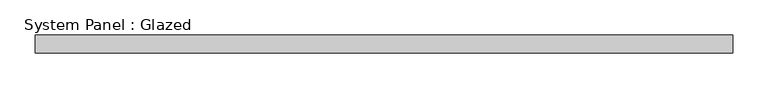
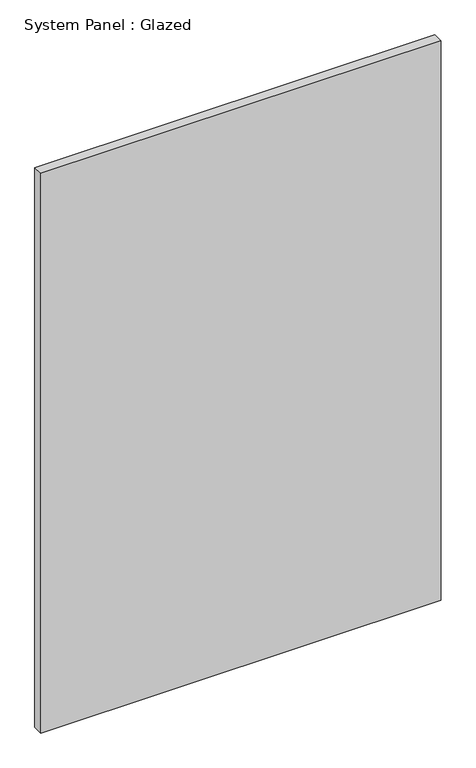
"""IFC4 building model written with IfcOpenShell, lengths in millimetres: plate geometry, System Panel : Glazed."""

from ifc_helpers import new_model, si_unit, origin, origin_with_axes, place, context, project, spatial, polyline, outline, extrude, source, transform, mapped, element, save


def system_panel_glazed_5979f598(model_context):
    return source(origin(), model_context, "Body", "SweptSolid", [
        extrude(outline(polyline([(492.125, -12.7), (-492.125, -12.7), (-492.125, 12.7), (492.125, 12.7), (492.125, -12.7)])), origin_with_axes(), (0.0, 0.0, 1.0), 1454.15),
    ])


if __name__ == "__main__":
    model = new_model("IFC4")
    model_context = context("Model", 3, world=origin())
    ifc_project = project(units=[si_unit("LENGTHUNIT", "METRE", prefix="MILLI")], contexts=[model_context])
    site = spatial("IfcSite", under=ifc_project)
    building = spatial("IfcBuilding", under=site)
    placement = place(None, origin())
    system_panel_glazed_shape = system_panel_glazed_5979f598(model_context)
    element("IfcPlate", 1, ObjectType="System Panel : Glazed", at=placement, inside=building, context=model_context, shape_type="MappedRepresentation", body=[
        mapped(system_panel_glazed_shape, transform((0.0, 0.0, 0.0), x_axis=(1.0, 0.0, 0.0), y_axis=(0.0, 1.0, 0.0), z_axis=(0.0, 0.0, 1.0))),
    ])
    save(model, "model.ifc")
